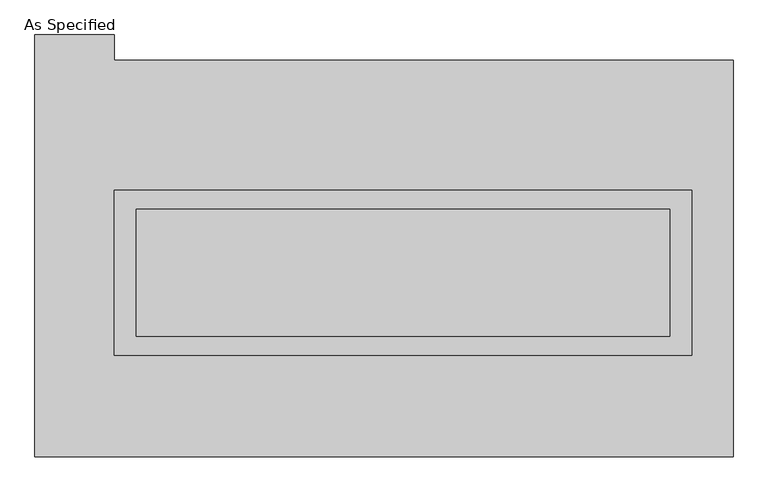
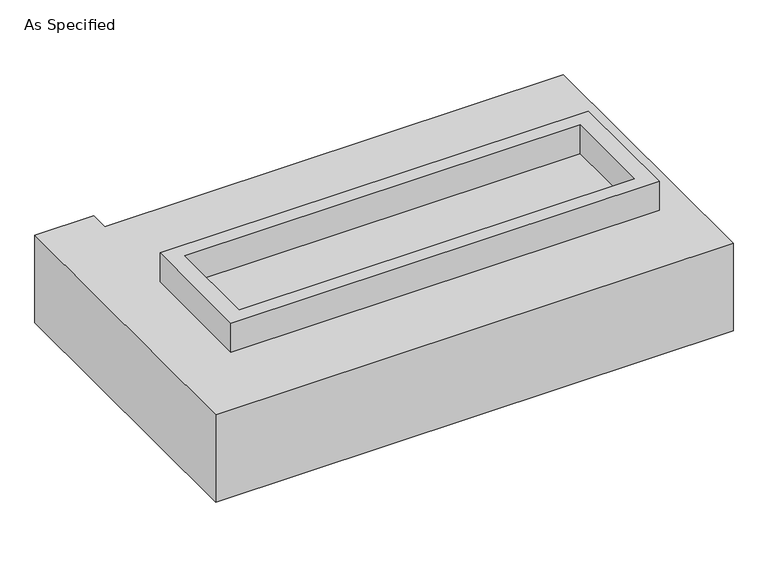
"""IFC4 building model written with IfcOpenShell, lengths in millimetres: proxy geometry, As Specified."""

from ifc_helpers import new_model, si_unit, frame, origin, place, context, project, spatial, polyline, outline, extrude, source, transform, mapped, element, save


def as_specified_d1173ba5(model_context):
    return source(origin(), model_context, "Body", "SweptSolid", [
        extrude(outline(polyline([(1155.7, 273.05), (1155.7, -387.35), (-1155.7, -387.35), (-1155.7, 273.05), (1155.7, 273.05)]), holes=[polyline([(1066.8, 196.85), (-1066.8, 196.85), (-1066.8, -311.15), (1066.8, -311.15), (1066.8, 196.85)])]), frame((0.0, 0.0, -688.975), z_axis=(0.0, 0.0, 1.0), x_axis=(1.0, 0.0, 0.0)), (0.0, 0.0, 1.0), 165.1),
        extrude(outline(polyline([(1155.7, 273.05), (1155.7, -387.35), (-1155.7, -387.35), (-1155.7, 273.05), (1155.7, 273.05)]), holes=[polyline([(1066.8, 196.85), (-1066.8, 196.85), (-1066.8, -311.15), (1066.8, -311.15), (1066.8, 196.85)])]), frame((0.0, 0.0, -25.4), z_axis=(0.0, 0.0, 1.0), x_axis=(1.0, 0.0, 0.0)), (0.0, 0.0, 1.0), 165.1),
        extrude(outline(polyline([(1066.8, 196.85), (1066.8, -311.15), (-1066.8, -311.15), (-1066.8, 196.85), (1066.8, 196.85)])), frame((0.0, 0.0, -523.875), z_axis=(0.0, 0.0, 1.0), x_axis=(1.0, 0.0, 0.0)), (0.0, 0.0, 1.0), 4.9609375),
        extrude(outline(polyline([(1066.8, 196.85), (1066.8, -311.15), (-1066.8, -311.15), (-1066.8, 196.85), (1066.8, 196.85)])), frame((0.0, 0.0, -30.3609375), z_axis=(0.0, 0.0, 1.0), x_axis=(1.0, 0.0, 0.0)), (0.0, 0.0, 1.0), 4.9609375),
        extrude(outline(polyline([(1320.8, -793.75), (-1473.2, -793.75), (-1473.2, 895.35), (-1155.7, 895.35), (-1155.7, 793.75), (1320.8, 793.75), (1320.8, -793.75)]), holes=[polyline([(-1155.7, 273.05), (-1155.7, -387.35), (1155.7, -387.35), (1155.7, 273.05), (-1155.7, 273.05)])]), frame((0.0, 0.0, -523.875), z_axis=(0.0, 0.0, 1.0), x_axis=(1.0, 0.0, 0.0)), (0.0, 0.0, 1.0), 498.475),
    ])


if __name__ == "__main__":
    model = new_model("IFC4")
    model_context = context("Model", 3, world=origin())
    ifc_project = project(units=[si_unit("LENGTHUNIT", "METRE", prefix="MILLI")], contexts=[model_context])
    site = spatial("IfcSite", under=ifc_project)
    building = spatial("IfcBuilding", under=site)
    placement = place(None, origin())
    as_specified_shape = as_specified_d1173ba5(model_context)
    element("IfcBuildingElementProxy", 1, Name="As Specified", ObjectType="As Specified", at=placement, inside=building, context=model_context, shape_type="MappedRepresentation", body=[
        mapped(as_specified_shape, transform((0.0, 0.0, 0.0), x_axis=(1.0, 0.0, 0.0), y_axis=(0.0, 1.0, 0.0), z_axis=(0.0, 0.0, 1.0))),
    ])
    save(model, "model.ifc")
